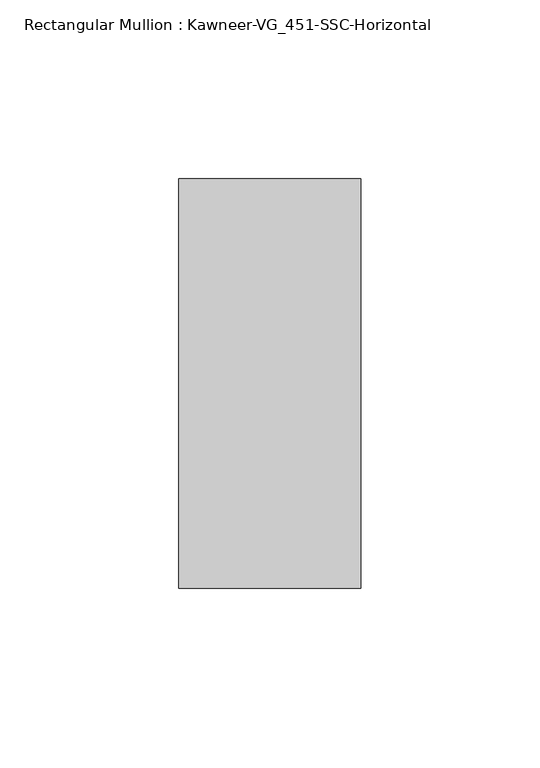
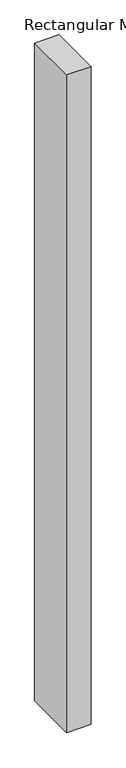
"""IFC4 building model written with IfcOpenShell, lengths in millimetres: member geometry, Rectangular Mullion : Kawneer-VG_451-SSC-Horizontal."""

from ifc_helpers import new_model, si_unit, frame, origin, place, context, project, spatial, polyline, outline, extrude, source, transform, mapped, element, save


def rectangular_mullion_kawneer_vg_451_ssc_horizontal_7eaaeb3d(model_context):
    return source(origin(), model_context, "Body", "SweptSolid", [
        extrude(outline(polyline([(25.4, 57.15), (25.4, -57.15), (-25.4, -57.15), (-25.4, 57.15), (25.4, 57.15)])), frame((0.0, 0.0, -1441.45), z_axis=(0.0, 0.0, 1.0), x_axis=(1.0, 0.0, 0.0)), (0.0, 0.0, 1.0), 1441.45),
    ])


if __name__ == "__main__":
    model = new_model("IFC4")
    model_context = context("Model", 3, world=origin())
    ifc_project = project(units=[si_unit("LENGTHUNIT", "METRE", prefix="MILLI")], contexts=[model_context])
    site = spatial("IfcSite", under=ifc_project)
    building = spatial("IfcBuilding", under=site)
    placement = place(None, origin())
    rectangular_mullion_kawneer_vg_451_ssc_horizontal_shape = rectangular_mullion_kawneer_vg_451_ssc_horizontal_7eaaeb3d(model_context)
    element("IfcMember", 1, ObjectType="Rectangular Mullion : Kawneer-VG_451-SSC-Horizontal", at=placement, inside=building, context=model_context, shape_type="MappedRepresentation", body=[
        mapped(rectangular_mullion_kawneer_vg_451_ssc_horizontal_shape, transform((0.0, 0.0, 0.0), x_axis=(1.0, 0.0, 0.0), y_axis=(0.0, 1.0, 0.0), z_axis=(0.0, 0.0, 1.0))),
    ])
    save(model, "model.ifc")
